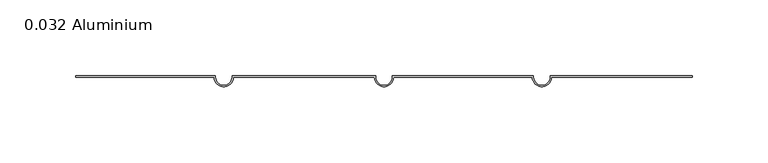
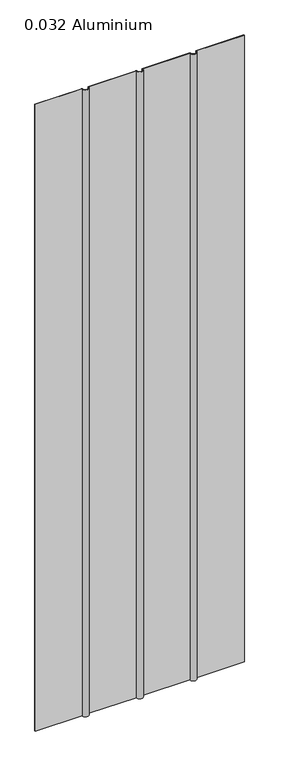
"""IFC4 building model written with IfcOpenShell, lengths in millimetres: plate geometry, 0.032 Aluminium."""

from ifc_helpers import new_model, si_unit, point, frame_2d, origin, origin_with_axes, origin_2d, place, context, project, spatial, polyline, circle_curve, trimmed, segment, composite_curve, outline, extrude, source, transform, mapped, element, save


def plate_0_032_aluminium_447bae26(model_context):
    return source(origin(), model_context, "Body", "SweptSolid", [
        extrude(outline(composite_curve([segment(polyline([(-111.1987494, 0.8128), (-111.1987494, 0.0)]), True, "CONTINUOUS"), segment(trimmed(circle_curve(frame_2d((-105.6615494, 0.0)), 5.5372), [point((-111.1987494, 0.0))], [point((-100.1243494, 0.0))], True, "CARTESIAN"), True, "CONTINUOUS"), segment(polyline([(-100.1243494, 0.0), (-100.1243494, 0.8128), (-5.5372, 0.8128), (-5.5372, 0.0)]), True, "CONTINUOUS"), segment(trimmed(circle_curve(origin_2d(), 5.5372), [point((-5.5372, 0.0))], [point((5.5372, 0.0))], True, "CARTESIAN"), True, "CONTINUOUS"), segment(polyline([(5.5372, 0.0), (5.5372, 0.8128), (98.53676, 0.8128), (98.53676, 0.0)]), True, "CONTINUOUS"), segment(trimmed(circle_curve(frame_2d((104.07396, 0.0)), 5.5372), [point((98.53676, 0.0))], [point((109.61116, 0.0))], True, "CARTESIAN"), True, "CONTINUOUS"), segment(polyline([(109.61116, 0.0), (109.61116, 0.8128), (203.2, 0.8128), (203.2, 0.0), (110.42396, 0.0)]), True, "CONTINUOUS"), segment(trimmed(circle_curve(frame_2d((104.07396, 0.0)), 6.35), [point((110.42396, 0.0))], [point((97.72396, 0.0))], False, "CARTESIAN"), True, "CONTINUOUS"), segment(polyline([(97.72396, 0.0), (6.35, 0.0)]), True, "CONTINUOUS"), segment(trimmed(circle_curve(origin_2d(), 6.35), [point((6.35, 0.0))], [point((-6.35, 0.0))], False, "CARTESIAN"), True, "CONTINUOUS"), segment(polyline([(-6.35, 0.0), (-99.3115494, 0.0)]), True, "CONTINUOUS"), segment(trimmed(circle_curve(frame_2d((-105.6615494, 0.0)), 6.35), [point((-99.3115494, 0.0))], [point((-112.0115494, 0.0))], False, "CARTESIAN"), True, "CONTINUOUS"), segment(polyline([(-112.0115494, 0.0), (-203.2, 0.0), (-203.2, 0.8128), (-111.1987494, 0.8128)]), True, "CONTINUOUS")], self_intersect=False)), origin_with_axes(), (0.0, 0.0, 1.0), 1285.875),
    ])


if __name__ == "__main__":
    model = new_model("IFC4")
    model_context = context("Model", 3, world=origin())
    ifc_project = project(units=[si_unit("LENGTHUNIT", "METRE", prefix="MILLI")], contexts=[model_context])
    site = spatial("IfcSite", under=ifc_project)
    building = spatial("IfcBuilding", under=site)
    placement = place(None, origin())
    plate_0_032_aluminium_shape = plate_0_032_aluminium_447bae26(model_context)
    element("IfcPlate", 1, ObjectType="0.032 Aluminium", at=placement, inside=building, context=model_context, shape_type="MappedRepresentation", body=[
        mapped(plate_0_032_aluminium_shape, transform((0.0, 0.0, 0.0), x_axis=(1.0, 0.0, 0.0), y_axis=(0.0, 1.0, 0.0), z_axis=(0.0, 0.0, 1.0))),
    ])
    save(model, "model.ifc")
